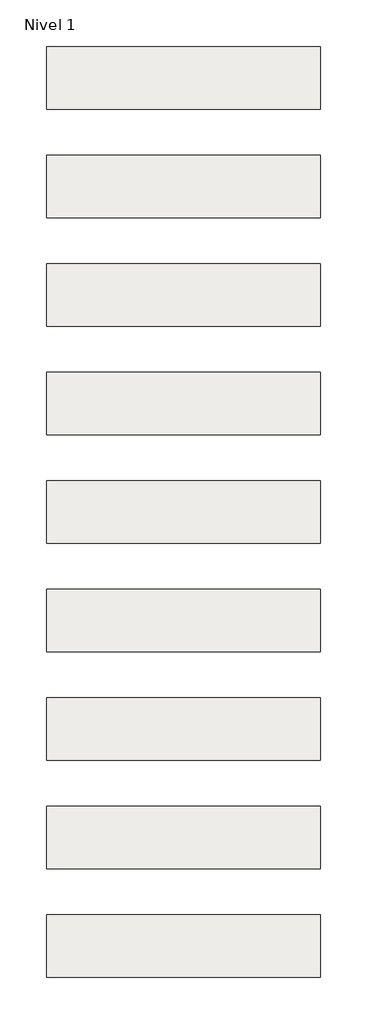
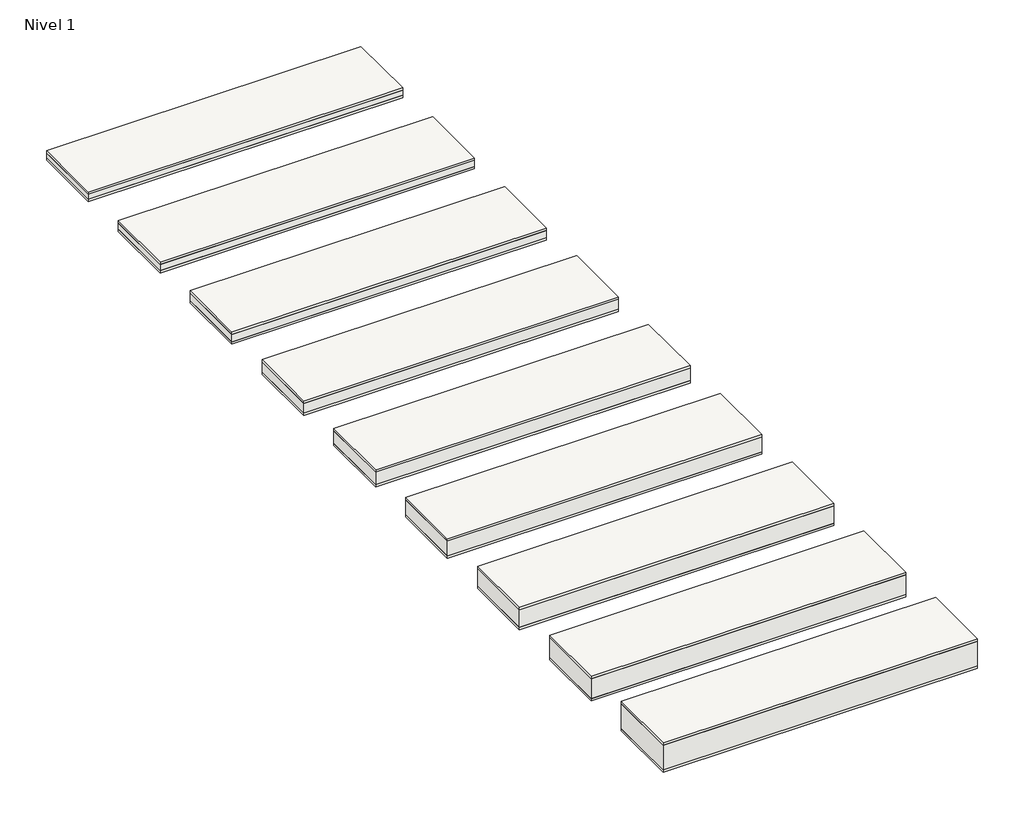
# One storey: 9 roofs.
"""IFC4 building model written with IfcOpenShell, lengths in millimetres."""

from ifc_helpers import new_model, si_unit, frame, origin, origin_with_axes, place, context, project, spatial, polyline, outline, extrude, element, save

model = new_model("IFC4")

# Units and contexts
model_context = context("Model", 3, world=origin())
ifc_project = project(units=[si_unit("LENGTHUNIT", "METRE", prefix="MILLI")], contexts=[model_context])

# Site, building, storey
site = spatial("IfcSite", under=ifc_project)
building = spatial("IfcBuilding", under=site)
storey = spatial("IfcBuildingStorey", under=building, Name="Nivel 1", Elevation=0.0)

# Roofs
placement = place(None, origin())
element("IfcRoof", 1, at=placement, inside=storey, context=model_context, shape_type="SweptSolid", body=[
    extrude(outline(polyline([(-3824.6699095, -6894.5376473), (-1424.6699095, -6894.5376473), (-1424.6699095, -7444.5376473), (-3824.6699095, -7444.5376473), (-3824.6699095, -6894.5376473)])), frame((0.0, 0.0, 69.0), z_axis=(0.0, 0.0, 1.0), x_axis=(1.0, 0.0, 0.0)), (0.0, 0.0, 1.0), 19.0),
    extrude(outline(polyline([(-3824.6699095, -6894.5376473), (-1424.6699095, -6894.5376473), (-1424.6699095, -7444.5376473), (-3824.6699095, -7444.5376473), (-3824.6699095, -6894.5376473)])), frame((0.0, 0.0, 19.0), z_axis=(0.0, 0.0, 1.0), x_axis=(1.0, 0.0, 0.0)), (0.0, 0.0, 1.0), 50.0),
    extrude(outline(polyline([(-3824.6699095, -6894.5376473), (-1424.6699095, -6894.5376473), (-1424.6699095, -7444.5376473), (-3824.6699095, -7444.5376473), (-3824.6699095, -6894.5376473)])), origin_with_axes(), (0.0, 0.0, 1.0), 19.0),
])
element("IfcRoof", 2, at=placement, inside=storey, context=model_context, shape_type="SweptSolid", body=[
    extrude(outline(polyline([(-3824.6699095, -5944.5376473), (-1424.6699095, -5944.5376473), (-1424.6699095, -6494.5376473), (-3824.6699095, -6494.5376473), (-3824.6699095, -5944.5376473)])), frame((0.0, 0.0, 59.0), z_axis=(0.0, 0.0, 1.0), x_axis=(1.0, 0.0, 0.0)), (0.0, 0.0, 1.0), 19.0),
    extrude(outline(polyline([(-3824.6699095, -5944.5376473), (-1424.6699095, -5944.5376473), (-1424.6699095, -6494.5376473), (-3824.6699095, -6494.5376473), (-3824.6699095, -5944.5376473)])), frame((0.0, 0.0, 19.0), z_axis=(0.0, 0.0, 1.0), x_axis=(1.0, 0.0, 0.0)), (0.0, 0.0, 1.0), 40.0),
    extrude(outline(polyline([(-3824.6699095, -5944.5376473), (-1424.6699095, -5944.5376473), (-1424.6699095, -6494.5376473), (-3824.6699095, -6494.5376473), (-3824.6699095, -5944.5376473)])), origin_with_axes(), (0.0, 0.0, 1.0), 19.0),
])
element("IfcRoof", 3, at=placement, inside=storey, context=model_context, shape_type="SweptSolid", body=[
    extrude(outline(polyline([(-3824.6699095, -7844.5376473), (-1424.6699095, -7844.5376473), (-1424.6699095, -8394.5376473), (-3824.6699095, -8394.5376473), (-3824.6699095, -7844.5376473)])), frame((0.0, 0.0, 79.0), z_axis=(0.0, 0.0, 1.0), x_axis=(1.0, 0.0, 0.0)), (0.0, 0.0, 1.0), 19.0),
    extrude(outline(polyline([(-3824.6699095, -7844.5376473), (-1424.6699095, -7844.5376473), (-1424.6699095, -8394.5376473), (-3824.6699095, -8394.5376473), (-3824.6699095, -7844.5376473)])), frame((0.0, 0.0, 19.0), z_axis=(0.0, 0.0, 1.0), x_axis=(1.0, 0.0, 0.0)), (0.0, 0.0, 1.0), 60.0),
    extrude(outline(polyline([(-3824.6699095, -7844.5376473), (-1424.6699095, -7844.5376473), (-1424.6699095, -8394.5376473), (-3824.6699095, -8394.5376473), (-3824.6699095, -7844.5376473)])), origin_with_axes(), (0.0, 0.0, 1.0), 19.0),
])
element("IfcRoof", 4, at=placement, inside=storey, context=model_context, shape_type="SweptSolid", body=[
    extrude(outline(polyline([(-3824.6699095, -8794.5376473), (-1424.6699095, -8794.5376473), (-1424.6699095, -9344.5376473), (-3824.6699095, -9344.5376473), (-3824.6699095, -8794.5376473)])), frame((0.0, 0.0, 99.0), z_axis=(0.0, 0.0, 1.0), x_axis=(1.0, 0.0, 0.0)), (0.0, 0.0, 1.0), 19.0),
    extrude(outline(polyline([(-3824.6699095, -8794.5376473), (-1424.6699095, -8794.5376473), (-1424.6699095, -9344.5376473), (-3824.6699095, -9344.5376473), (-3824.6699095, -8794.5376473)])), frame((0.0, 0.0, 19.0), z_axis=(0.0, 0.0, 1.0), x_axis=(1.0, 0.0, 0.0)), (0.0, 0.0, 1.0), 80.0),
    extrude(outline(polyline([(-3824.6699095, -8794.5376473), (-1424.6699095, -8794.5376473), (-1424.6699095, -9344.5376473), (-3824.6699095, -9344.5376473), (-3824.6699095, -8794.5376473)])), origin_with_axes(), (0.0, 0.0, 1.0), 19.0),
])
element("IfcRoof", 5, at=placement, inside=storey, context=model_context, shape_type="SweptSolid", body=[
    extrude(outline(polyline([(-3824.6699095, -9744.5376473), (-1424.6699095, -9744.5376473), (-1424.6699095, -10294.5376473), (-3824.6699095, -10294.5376473), (-3824.6699095, -9744.5376473)])), frame((0.0, 0.0, 119.0), z_axis=(0.0, 0.0, 1.0), x_axis=(1.0, 0.0, 0.0)), (0.0, 0.0, 1.0), 19.0),
    extrude(outline(polyline([(-3824.6699095, -9744.5376473), (-1424.6699095, -9744.5376473), (-1424.6699095, -10294.5376473), (-3824.6699095, -10294.5376473), (-3824.6699095, -9744.5376473)])), frame((0.0, 0.0, 19.0), z_axis=(0.0, 0.0, 1.0), x_axis=(1.0, 0.0, 0.0)), (0.0, 0.0, 1.0), 100.0),
    extrude(outline(polyline([(-3824.6699095, -9744.5376473), (-1424.6699095, -9744.5376473), (-1424.6699095, -10294.5376473), (-3824.6699095, -10294.5376473), (-3824.6699095, -9744.5376473)])), origin_with_axes(), (0.0, 0.0, 1.0), 19.0),
])
element("IfcRoof", 6, at=placement, inside=storey, context=model_context, shape_type="SweptSolid", body=[
    extrude(outline(polyline([(-3824.6699095, -10694.5376473), (-1424.6699095, -10694.5376473), (-1424.6699095, -11244.5376473), (-3824.6699095, -11244.5376473), (-3824.6699095, -10694.5376473)])), frame((0.0, 0.0, 139.0), z_axis=(0.0, 0.0, 1.0), x_axis=(1.0, 0.0, 0.0)), (0.0, 0.0, 1.0), 19.0),
    extrude(outline(polyline([(-3824.6699095, -10694.5376473), (-1424.6699095, -10694.5376473), (-1424.6699095, -11244.5376473), (-3824.6699095, -11244.5376473), (-3824.6699095, -10694.5376473)])), frame((0.0, 0.0, 19.0), z_axis=(0.0, 0.0, 1.0), x_axis=(1.0, 0.0, 0.0)), (0.0, 0.0, 1.0), 120.0),
    extrude(outline(polyline([(-3824.6699095, -10694.5376473), (-1424.6699095, -10694.5376473), (-1424.6699095, -11244.5376473), (-3824.6699095, -11244.5376473), (-3824.6699095, -10694.5376473)])), origin_with_axes(), (0.0, 0.0, 1.0), 19.0),
])
element("IfcRoof", 7, at=placement, inside=storey, context=model_context, shape_type="SweptSolid", body=[
    extrude(outline(polyline([(-3824.6699095, -11644.5376473), (-1424.6699095, -11644.5376473), (-1424.6699095, -12194.5376473), (-3824.6699095, -12194.5376473), (-3824.6699095, -11644.5376473)])), frame((0.0, 0.0, 159.0), z_axis=(0.0, 0.0, 1.0), x_axis=(1.0, 0.0, 0.0)), (0.0, 0.0, 1.0), 19.0),
    extrude(outline(polyline([(-3824.6699095, -11644.5376473), (-1424.6699095, -11644.5376473), (-1424.6699095, -12194.5376473), (-3824.6699095, -12194.5376473), (-3824.6699095, -11644.5376473)])), frame((0.0, 0.0, 19.0), z_axis=(0.0, 0.0, 1.0), x_axis=(1.0, 0.0, 0.0)), (0.0, 0.0, 1.0), 140.0),
    extrude(outline(polyline([(-3824.6699095, -11644.5376473), (-1424.6699095, -11644.5376473), (-1424.6699095, -12194.5376473), (-3824.6699095, -12194.5376473), (-3824.6699095, -11644.5376473)])), origin_with_axes(), (0.0, 0.0, 1.0), 19.0),
])
element("IfcRoof", 8, at=placement, inside=storey, context=model_context, shape_type="SweptSolid", body=[
    extrude(outline(polyline([(-3824.6699095, -12594.5376473), (-1424.6699095, -12594.5376473), (-1424.6699095, -13144.5376473), (-3824.6699095, -13144.5376473), (-3824.6699095, -12594.5376473)])), frame((0.0, 0.0, 179.0), z_axis=(0.0, 0.0, 1.0), x_axis=(1.0, 0.0, 0.0)), (0.0, 0.0, 1.0), 19.0),
    extrude(outline(polyline([(-3824.6699095, -12594.5376473), (-1424.6699095, -12594.5376473), (-1424.6699095, -13144.5376473), (-3824.6699095, -13144.5376473), (-3824.6699095, -12594.5376473)])), frame((0.0, 0.0, 19.0), z_axis=(0.0, 0.0, 1.0), x_axis=(1.0, 0.0, 0.0)), (0.0, 0.0, 1.0), 160.0),
    extrude(outline(polyline([(-3824.6699095, -12594.5376473), (-1424.6699095, -12594.5376473), (-1424.6699095, -13144.5376473), (-3824.6699095, -13144.5376473), (-3824.6699095, -12594.5376473)])), origin_with_axes(), (0.0, 0.0, 1.0), 19.0),
])
element("IfcRoof", 9, at=placement, inside=storey, context=model_context, shape_type="SweptSolid", body=[
    extrude(outline(polyline([(-3824.6699095, -13544.5376473), (-1424.6699095, -13544.5376473), (-1424.6699095, -14094.5376473), (-3824.6699095, -14094.5376473), (-3824.6699095, -13544.5376473)])), frame((0.0, 0.0, 219.0), z_axis=(0.0, 0.0, 1.0), x_axis=(1.0, 0.0, 0.0)), (0.0, 0.0, 1.0), 19.0),
    extrude(outline(polyline([(-3824.6699095, -13544.5376473), (-1424.6699095, -13544.5376473), (-1424.6699095, -14094.5376473), (-3824.6699095, -14094.5376473), (-3824.6699095, -13544.5376473)])), frame((0.0, 0.0, 19.0), z_axis=(0.0, 0.0, 1.0), x_axis=(1.0, 0.0, 0.0)), (0.0, 0.0, 1.0), 200.0),
    extrude(outline(polyline([(-3824.6699095, -13544.5376473), (-1424.6699095, -13544.5376473), (-1424.6699095, -14094.5376473), (-3824.6699095, -14094.5376473), (-3824.6699095, -13544.5376473)])), origin_with_axes(), (0.0, 0.0, 1.0), 19.0),
])

save(model, "model.ifc")
